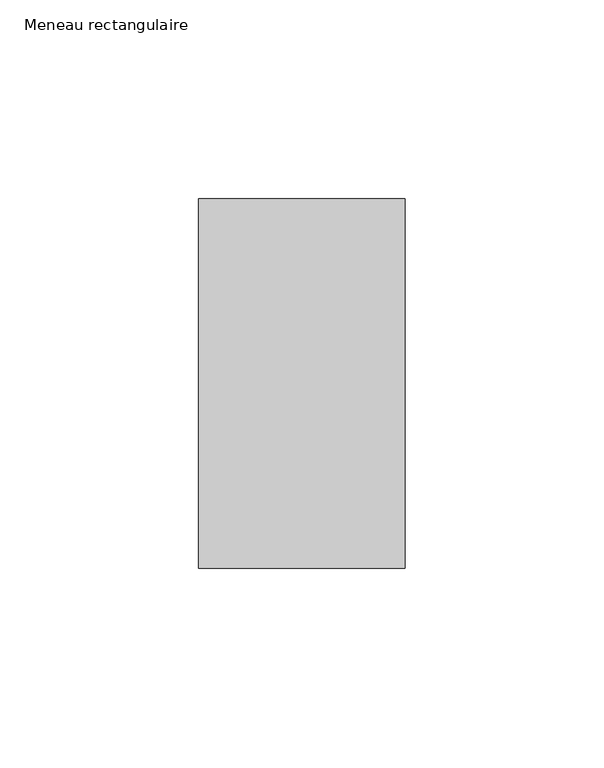
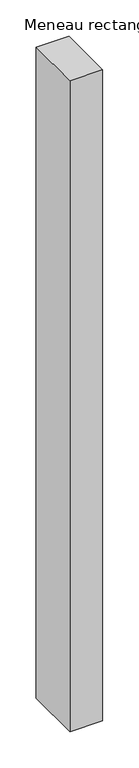
"""IFC4 building model written with IfcOpenShell, lengths in millimetres: member geometry, Meneau rectangulaire."""

from ifc_helpers import new_model, si_unit, frame, origin, place, context, project, spatial, polyline, outline, extrude, source, transform, mapped, element, save


def meneau_rectangulaire_cf92e11c(model_context):
    return source(origin(), model_context, "Body", "SweptSolid", [
        extrude(outline(polyline([(-52.0, 46.5), (0.0, 46.5), (0.0, -46.5), (-52.0, -46.5), (-52.0, 46.5)])), frame((0.0, 0.0, -1092.0000002), z_axis=(0.0, 0.0, 1.0), x_axis=(1.0, 0.0, 0.0)), (0.0, 0.0, 1.0), 1092.0000002),
    ])


if __name__ == "__main__":
    model = new_model("IFC4")
    model_context = context("Model", 3, world=origin())
    ifc_project = project(units=[si_unit("LENGTHUNIT", "METRE", prefix="MILLI")], contexts=[model_context])
    site = spatial("IfcSite", under=ifc_project)
    building = spatial("IfcBuilding", under=site)
    placement = place(None, origin())
    meneau_rectangulaire_shape = meneau_rectangulaire_cf92e11c(model_context)
    element("IfcMember", 1, ObjectType="Meneau rectangulaire", at=placement, inside=building, context=model_context, shape_type="MappedRepresentation", body=[
        mapped(meneau_rectangulaire_shape, transform((0.0, 0.0, 0.0), x_axis=(1.0, 0.0, 0.0), y_axis=(0.0, 1.0, 0.0), z_axis=(0.0, 0.0, 1.0))),
    ])
    save(model, "model.ifc")
